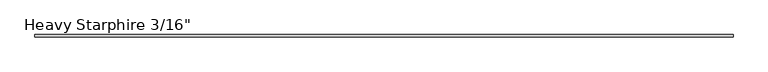
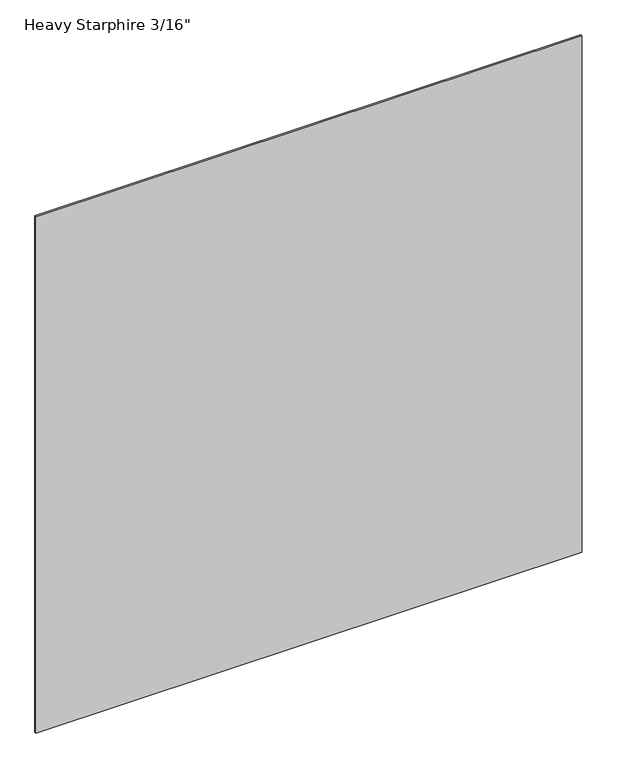
"""IFC4 building model written with IfcOpenShell, lengths in millimetres: plate geometry."""

from ifc_helpers import new_model, si_unit, origin, origin_with_axes, place, context, project, spatial, polyline, outline, extrude, source, transform, mapped, element, save


def plate_3fc9ed01(model_context):
    return source(origin(), model_context, "Body", "SweptSolid", [
        extrude(outline(polyline([(762.0, 2.38125), (762.0, -2.38125), (-762.0, -2.38125), (-762.0, 2.38125), (762.0, 2.38125)])), origin_with_axes(), (0.0, 0.0, 1.0), 1524.0),
    ])


if __name__ == "__main__":
    model = new_model("IFC4")
    model_context = context("Model", 3, world=origin())
    ifc_project = project(units=[si_unit("LENGTHUNIT", "METRE", prefix="MILLI")], contexts=[model_context])
    site = spatial("IfcSite", under=ifc_project)
    building = spatial("IfcBuilding", under=site)
    placement = place(None, origin())
    plate_shape = plate_3fc9ed01(model_context)
    element("IfcPlate", 1, ObjectType="Heavy Starphire 3/16\"", at=placement, inside=building, context=model_context, shape_type="MappedRepresentation", body=[
        mapped(plate_shape, transform((0.0, 0.0, 0.0), x_axis=(1.0, 0.0, 0.0), y_axis=(0.0, 1.0, 0.0), z_axis=(0.0, 0.0, 1.0))),
    ])
    save(model, "model.ifc")
